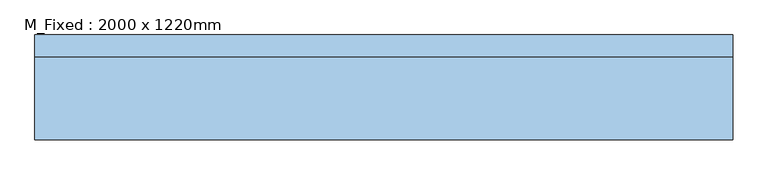
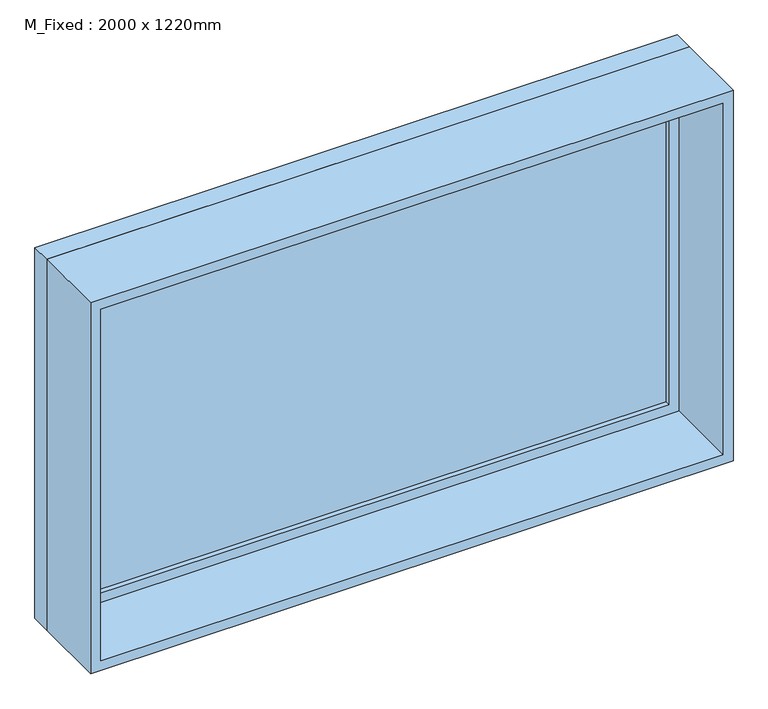
"""IFC4 building model written with IfcOpenShell, lengths in millimetres: window geometry, M_Fixed : 2000 x 1220mm."""

from ifc_helpers import new_model, si_unit, frame, origin, place, context, project, spatial, polyline, outline, extrude, source, transform, mapped, element, save


def m_fixed_2000_x_1220mm_98f88e4f(model_context):
    return source(origin(), model_context, "Body", "SweptSolid", [
        extrude(outline(polyline([(-937.0, 128.0), (937.0, 128.0), (937.0, 116.0), (-937.0, 116.0), (-937.0, 128.0)])), frame((0.0, 0.0, 978.0), z_axis=(0.0, 0.0, 1.0), x_axis=(1.0, 0.0, 0.0)), (0.0, 0.0, 1.0), 1094.0),
        extrude(outline(polyline([(2116.0, -981.0), (934.0, -981.0), (934.0, 981.0), (2116.0, 981.0), (2116.0, -981.0)]), holes=[polyline([(2072.0, -937.0), (2072.0, 937.0), (978.0, 937.0), (978.0, -937.0), (2072.0, -937.0)])]), frame((0.0, 100.0, 0.0), z_axis=(0.0, 1.0, 0.0), x_axis=(0.0, 0.0, 1.0)), (0.0, 0.0, 1.0), 44.0),
        extrude(outline(polyline([(2135.0, -1000.0), (915.0, -1000.0), (915.0, 1000.0), (2135.0, 1000.0), (2135.0, -1000.0)]), holes=[polyline([(2116.0, -981.0), (2116.0, 981.0), (934.0, 981.0), (934.0, -981.0), (2116.0, -981.0)])]), frame((0.0, 100.0, 0.0), z_axis=(0.0, 1.0, 0.0), x_axis=(0.0, 0.0, 1.0)), (0.0, 0.0, 1.0), 63.0),
        extrude(outline(polyline([(2135.0, -1000.0), (915.0, -1000.0), (915.0, 1000.0), (2135.0, 1000.0), (2135.0, -1000.0)]), holes=[polyline([(2103.0, -968.0), (2103.0, 968.0), (947.0, 968.0), (947.0, -968.0), (2103.0, -968.0)])]), frame((0.0, -137.0, 0.0), z_axis=(0.0, 1.0, 0.0), x_axis=(0.0, 0.0, 1.0)), (0.0, 0.0, 1.0), 237.0),
    ])


if __name__ == "__main__":
    model = new_model("IFC4")
    model_context = context("Model", 3, world=origin())
    ifc_project = project(units=[si_unit("LENGTHUNIT", "METRE", prefix="MILLI")], contexts=[model_context])
    site = spatial("IfcSite", under=ifc_project)
    building = spatial("IfcBuilding", under=site)
    placement = place(None, origin())
    m_fixed_2000_x_1220mm_shape = m_fixed_2000_x_1220mm_98f88e4f(model_context)
    element("IfcWindow", 1, ObjectType="M_Fixed : 2000 x 1220mm", at=placement, inside=building, context=model_context, shape_type="MappedRepresentation", body=[
        mapped(m_fixed_2000_x_1220mm_shape, transform((0.0, 0.0, 0.0), x_axis=(1.0, 0.0, 0.0), y_axis=(0.0, 1.0, 0.0), z_axis=(0.0, 0.0, 1.0))),
    ])
    save(model, "model.ifc")
